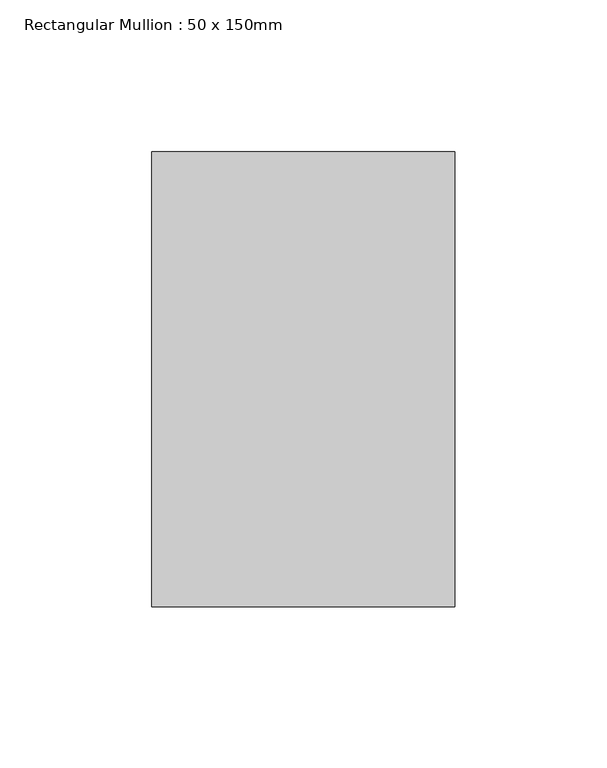
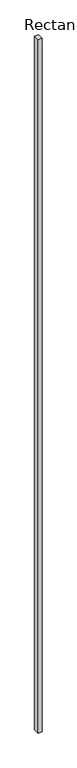
"""IFC4 building model written with IfcOpenShell, lengths in millimetres: member geometry, Rectangular Mullion : 50 x 150mm."""

from ifc_helpers import new_model, si_unit, frame, origin, place, context, project, spatial, polyline, outline, extrude, source, transform, mapped, element, save


def rectangular_mullion_50_x_150mm_a2ec66bd(model_context):
    return source(origin(), model_context, "Body", "SweptSolid", [
        extrude(outline(polyline([(0.0, 75.0), (0.0, -75.0), (-100.0, -75.0), (-100.0, 75.0), (0.0, 75.0)])), frame((0.0, 0.0, -18438.5576057), z_axis=(0.0, 0.0, 1.0), x_axis=(1.0, 0.0, 0.0)), (0.0, 0.0, 1.0), 18438.5576057),
    ])


if __name__ == "__main__":
    model = new_model("IFC4")
    model_context = context("Model", 3, world=origin())
    ifc_project = project(units=[si_unit("LENGTHUNIT", "METRE", prefix="MILLI")], contexts=[model_context])
    site = spatial("IfcSite", under=ifc_project)
    building = spatial("IfcBuilding", under=site)
    placement = place(None, origin())
    rectangular_mullion_50_x_150mm_shape = rectangular_mullion_50_x_150mm_a2ec66bd(model_context)
    element("IfcMember", 1, ObjectType="Rectangular Mullion : 50 x 150mm", at=placement, inside=building, context=model_context, shape_type="MappedRepresentation", body=[
        mapped(rectangular_mullion_50_x_150mm_shape, transform((0.0, 0.0, 0.0), x_axis=(1.0, 0.0, 0.0), y_axis=(0.0, 1.0, 0.0), z_axis=(0.0, 0.0, 1.0))),
    ])
    save(model, "model.ifc")
